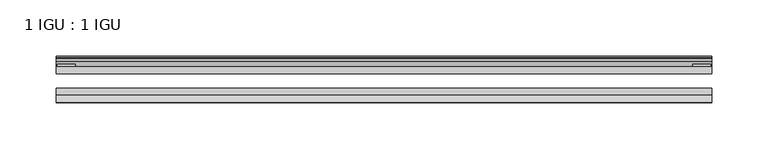
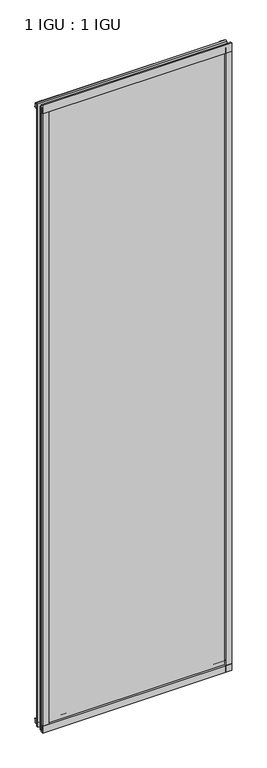
"""IFC4 building model written with IfcOpenShell, lengths in millimetres: plate geometry, 1 IGU : 1 IGU."""

from ifc_helpers import new_model, si_unit, point, frame, frame_2d, origin, place, context, project, spatial, polyline, circle_curve, trimmed, segment, composite_curve, outline, extrude, source, transform, mapped, element, save


def plate_1_igu_1_igu_60a55fde(model_context):
    return source(origin(), model_context, "Body", "SweptSolid", [
        extrude(outline(polyline([(292.1, 0.0021347), (292.1, -6.2992), (-292.1, -6.2992), (-292.1, 0.0021347), (292.1, 0.0021347)])), frame((0.0, 0.0, -19.05), z_axis=(0.0, 0.0, 1.0), x_axis=(1.0, 0.0, 0.0)), (0.0, 0.0, 1.0), 2036.7580337),
        extrude(outline(polyline([(-292.1, -19.0986653), (292.1, -19.0986653), (292.1, -25.3978653), (-292.1, -25.3978653), (-292.1, -19.0986653)])), frame((0.0, 0.0, -19.05), z_axis=(0.0, 0.0, 1.0), x_axis=(1.0, 0.0, 0.0)), (0.0, 0.0, 1.0), 2036.7580337),
        extrude(outline(composite_curve([segment(polyline([(-31.75, 0.0), (-25.4, 0.0), (-25.4, -22.225)]), True, "CONTINUOUS"), segment(trimmed(circle_curve(frame_2d((-28.575, -28.9113452)), 7.4018806), [point((-25.4, -22.225))], [point((-31.75, -22.225))], True, "CARTESIAN"), True, "CONTINUOUS"), segment(polyline([(-31.75, -22.225), (-31.75, 0.0)]), True, "CONTINUOUS")], self_intersect=False)), frame((-292.1, 0.0, 0.0), z_axis=(1.0, 0.0, 0.0), x_axis=(0.0, 1.0, 0.0)), (0.0, 0.0, 1.0), 584.2),
        extrude(outline(composite_curve([segment(trimmed(circle_curve(frame_2d((13.6593785, 32.4202472)), 31.3046461), [point((0.0, 4.2528503))], [point((9.3980339, 1.406995))], True, "CARTESIAN"), True, "CONTINUOUS"), segment(polyline([(9.3980339, 1.406995), (9.3980339, 0.0254), (6.35, 0.0254), (6.35, -5.1625788), (7.7309478, -5.3970663), (6.35, -8.0073788), (6.35, -11.8471127)]), True, "CONTINUOUS"), segment(trimmed(circle_curve(frame_2d((5.334, -11.8471127)), 1.016), [point((6.35, -11.8471127))], [point((4.6284878, -12.5782136))], False, "CARTESIAN"), True, "CONTINUOUS"), segment(trimmed(circle_curve(frame_2d((-23.3689302, -41.5910901)), 40.3187601), [point((4.6284878, -12.5782136))], [point((0.0, -8.735413))], True, "CARTESIAN"), True, "CONTINUOUS"), segment(polyline([(0.0, -8.735413), (0.0, 4.2528503)]), True, "CONTINUOUS")], self_intersect=False)), frame((-292.1, 0.0, 0.0), z_axis=(1.0, 0.0, 0.0), x_axis=(0.0, 1.0, 0.0)), (0.0, 0.0, 1.0), 584.2),
        extrude(outline(composite_curve([segment(trimmed(circle_curve(frame_2d((-23.3689302, 2041.8747237)), 40.3187601), [point((0.0, 2009.0190467))], [point((4.9746073, 2013.1998864))], True, "CARTESIAN"), True, "CONTINUOUS"), segment(trimmed(circle_curve(frame_2d((5.8674, 2012.2966582)), 1.27), [point((4.9746073, 2013.1998864))], [point((7.1374, 2012.2966582))], False, "CARTESIAN"), True, "CONTINUOUS"), segment(polyline([(7.1374, 2012.2966582), (7.1374, 2007.8958505), (7.7309478, 2005.6806999), (6.35, 2005.4462125), (6.35, 2000.2582337), (9.3980339, 2000.2582337), (9.3980339, 1998.8766387)]), True, "CONTINUOUS"), segment(trimmed(circle_curve(frame_2d((13.6593785, 1967.8633864)), 31.3046461), [point((9.3980339, 1998.8766387))], [point((0.0, 1996.0307834))], True, "CARTESIAN"), True, "CONTINUOUS"), segment(polyline([(0.0, 1996.0307834), (0.0, 2009.0190467)]), True, "CONTINUOUS")], self_intersect=False)), frame((-292.1, 0.0, 0.0), z_axis=(1.0, 0.0, 0.0), x_axis=(0.0, 1.0, 0.0)), (0.0, 0.0, 1.0), 584.2),
        extrude(outline(composite_curve([segment(polyline([(-25.4, 2025.6582337), (-25.4, 2000.2582337), (-31.75, 2000.2582337), (-31.75, 2028.431131)]), True, "CONTINUOUS"), segment(trimmed(circle_curve(frame_2d((-24.1401272, 2037.2006452)), 11.6109665), [point((-31.75, 2028.431131))], [point((-25.4, 2025.6582337))], True, "CARTESIAN"), True, "CONTINUOUS")], self_intersect=False)), frame((-292.1, 0.0, 0.0), z_axis=(1.0, 0.0, 0.0), x_axis=(0.0, 1.0, 0.0)), (0.0, 0.0, 1.0), 584.2),
        extrude(outline(composite_curve([segment(polyline([(273.05, -25.4), (292.1, -25.4)]), True, "CONTINUOUS"), segment(trimmed(circle_curve(frame_2d((301.5661507, -28.575)), 9.9844196), [point((292.1, -25.4))], [point((292.1, -31.75))], True, "CARTESIAN"), True, "CONTINUOUS"), segment(polyline([(292.1, -31.75), (273.05, -31.75), (273.05, -25.4)]), True, "CONTINUOUS")], self_intersect=False)), frame((0.0, 0.0, -19.05), z_axis=(0.0, 0.0, 1.0), x_axis=(1.0, 0.0, 0.0)), (0.0, 0.0, 1.0), 2036.7580337),
        extrude(outline(polyline([(290.8935, 2.2860088), (290.8935, 0.0021347), (275.0185, 0.0021347), (275.0185, 2.2860088), (290.8935, 2.2860088)])), frame((0.0, 0.0, -19.05), z_axis=(0.0, 0.0, 1.0), x_axis=(1.0, 0.0, 0.0)), (0.0, 0.0, 1.0), 2036.7580337),
        extrude(outline(composite_curve([segment(trimmed(circle_curve(frame_2d((-301.5661507, -28.575)), 9.9844196), [point((-292.1, -31.75))], [point((-292.1, -25.4))], True, "CARTESIAN"), True, "CONTINUOUS"), segment(polyline([(-292.1, -25.4), (-273.05, -25.4), (-273.05, -31.75), (-292.1, -31.75)]), True, "CONTINUOUS")], self_intersect=False)), frame((0.0, 0.0, -19.05), z_axis=(0.0, 0.0, 1.0), x_axis=(1.0, 0.0, 0.0)), (0.0, 0.0, 1.0), 2036.7580337),
        extrude(outline(polyline([(-290.8935, 0.0), (-290.8935, 2.286), (-275.0185, 2.286), (-275.0185, 0.0), (-290.8935, 0.0)])), frame((0.0, 0.0, -19.05), z_axis=(0.0, 0.0, 1.0), x_axis=(1.0, 0.0, 0.0)), (0.0, 0.0, 1.0), 2036.7580337),
    ])


if __name__ == "__main__":
    model = new_model("IFC4")
    model_context = context("Model", 3, world=origin())
    ifc_project = project(units=[si_unit("LENGTHUNIT", "METRE", prefix="MILLI")], contexts=[model_context])
    site = spatial("IfcSite", under=ifc_project)
    building = spatial("IfcBuilding", under=site)
    placement = place(None, origin())
    plate_1_igu_1_igu_shape = plate_1_igu_1_igu_60a55fde(model_context)
    element("IfcPlate", 1, ObjectType="1 IGU : 1 IGU", at=placement, inside=building, context=model_context, shape_type="MappedRepresentation", body=[
        mapped(plate_1_igu_1_igu_shape, transform((0.0, 0.0, 0.0), x_axis=(1.0, 0.0, 0.0), y_axis=(0.0, 1.0, 0.0), z_axis=(0.0, 0.0, 1.0))),
    ])
    save(model, "model.ifc")
